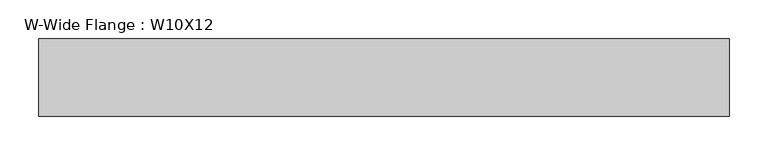
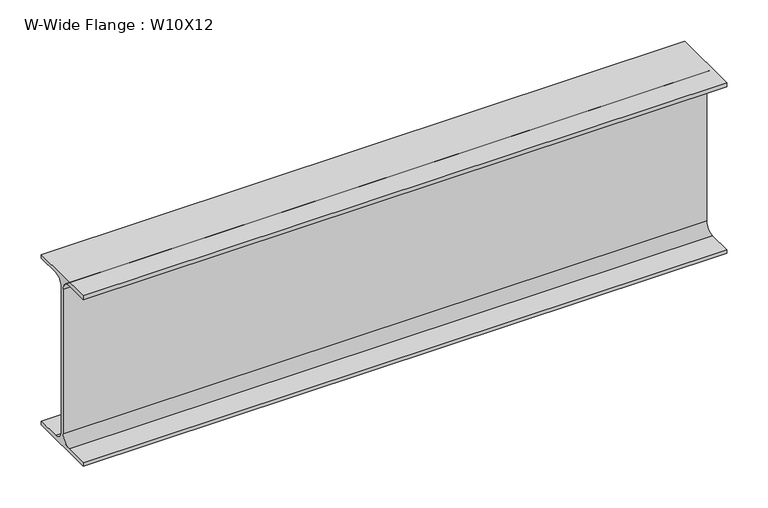
"""IFC4 building model written with IfcOpenShell, lengths in millimetres: beam geometry, W-Wide Flange : W10X12."""

from ifc_helpers import new_model, si_unit, point, frame, frame_2d, origin, place, context, project, spatial, polyline, circle_curve, trimmed, segment, composite_curve, outline, extrude, source, transform, mapped, element, save


def w_wide_flange_w10x12_d7147c26(model_context):
    return source(origin(), model_context, "Body", "SweptSolid", [
        extrude(outline(composite_curve([segment(polyline([(50.3039062, -120.0050781), (50.3039062, -125.3628906), (-50.3039063, -125.3628906), (-50.3039063, -120.0050781), (-16.1230469, -120.0050781)]), True, "CONTINUOUS"), segment(trimmed(circle_curve(frame_2d((-16.1230469, -106.3128906)), 13.6921875), [point((-16.1230469, -120.0050781))], [point((-2.4308594, -106.3128906))], True, "CARTESIAN"), True, "CONTINUOUS"), segment(polyline([(-2.4308594, -106.3128906), (-2.4308594, 106.3128906)]), True, "CONTINUOUS"), segment(trimmed(circle_curve(frame_2d((-16.1230469, 106.3128906)), 13.6921875), [point((-2.4308594, 106.3128906))], [point((-16.1230469, 120.0050781))], True, "CARTESIAN"), True, "CONTINUOUS"), segment(polyline([(-16.1230469, 120.0050781), (-50.3039063, 120.0050781), (-50.3039063, 125.3628906), (50.3039062, 125.3628906), (50.3039062, 120.0050781), (16.1230469, 120.0050781)]), True, "CONTINUOUS"), segment(trimmed(circle_curve(frame_2d((16.1230469, 106.3128906)), 13.6921875), [point((16.1230469, 120.0050781))], [point((2.4308594, 106.3128906))], True, "CARTESIAN"), True, "CONTINUOUS"), segment(polyline([(2.4308594, 106.3128906), (2.4308594, -106.3128906)]), True, "CONTINUOUS"), segment(trimmed(circle_curve(frame_2d((16.1230469, -106.3128906)), 13.6921875), [point((2.4308594, -106.3128906))], [point((16.1230469, -120.0050781))], True, "CARTESIAN"), True, "CONTINUOUS"), segment(polyline([(16.1230469, -120.0050781), (50.3039062, -120.0050781)]), True, "CONTINUOUS")], self_intersect=False)), frame((-437.753125, 0.0, 0.0), z_axis=(1.0, 0.0, 0.0), x_axis=(0.0, 1.0, 0.0)), (0.0, 0.0, 1.0), 894.953125),
    ])


if __name__ == "__main__":
    model = new_model("IFC4")
    model_context = context("Model", 3, world=origin())
    ifc_project = project(units=[si_unit("LENGTHUNIT", "METRE", prefix="MILLI")], contexts=[model_context])
    site = spatial("IfcSite", under=ifc_project)
    building = spatial("IfcBuilding", under=site)
    placement = place(None, origin())
    w_wide_flange_w10x12_shape = w_wide_flange_w10x12_d7147c26(model_context)
    element("IfcBeam", 1, ObjectType="W-Wide Flange : W10X12", at=placement, inside=building, context=model_context, shape_type="MappedRepresentation", body=[
        mapped(w_wide_flange_w10x12_shape, transform((0.0, 0.0, 0.0), x_axis=(1.0, 0.0, 0.0), y_axis=(0.0, 1.0, 0.0), z_axis=(0.0, 0.0, 1.0))),
    ])
    save(model, "model.ifc")
